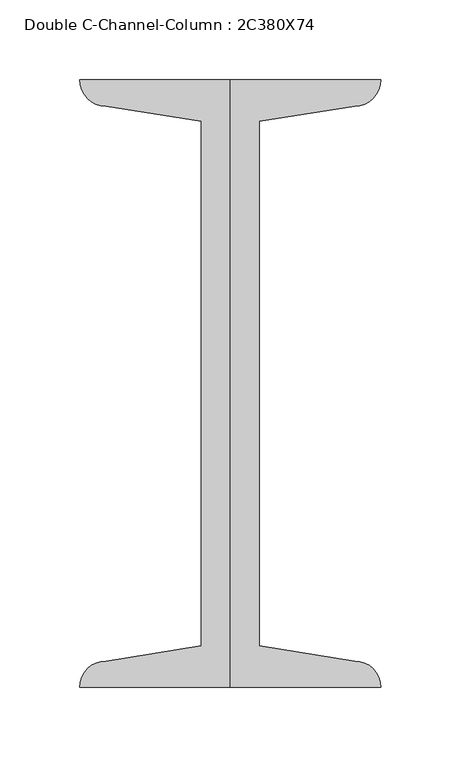
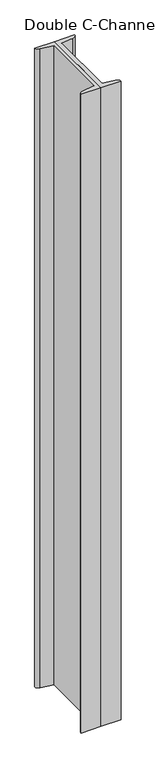
"""IFC4 building model written with IfcOpenShell, lengths in millimetres: column geometry, Double C-Channel-Column : 2C380X74."""

from ifc_helpers import new_model, si_unit, point, frame, frame_2d, origin, place, context, project, spatial, polyline, circle_curve, trimmed, segment, composite_curve, outline, extrude, source, transform, mapped, element, save


def double_c_channel_column_2c380x74_e3681b8e(model_context):
    return source(origin(), model_context, "Body", "SweptSolid", [
        extrude(outline(composite_curve([segment(polyline([(0.0, 190.5), (94.4, 190.5)]), True, "CONTINUOUS"), segment(trimmed(circle_curve(frame_2d((77.9, 190.5)), 16.5), [point((94.4, 190.5))], [point((77.9, 174.0))], False, "CARTESIAN"), True, "CONTINUOUS"), segment(polyline([(77.9, 174.0), (18.2, 164.5444489), (18.2, -164.5444489), (77.9, -174.0)]), True, "CONTINUOUS"), segment(trimmed(circle_curve(frame_2d((77.9, -190.5)), 16.5), [point((77.9, -174.0))], [point((94.4, -190.5))], False, "CARTESIAN"), True, "CONTINUOUS"), segment(polyline([(94.4, -190.5), (0.0, -190.5), (0.0, 190.5)]), True, "CONTINUOUS")], self_intersect=False)), frame((0.0, 0.0, -300.0), z_axis=(0.0, 0.0, 1.0), x_axis=(1.0, 0.0, 0.0)), (0.0, 0.0, 1.0), 3190.0),
        extrude(outline(composite_curve([segment(polyline([(0.0, 190.5), (0.0, -190.5), (-94.4, -190.5)]), True, "CONTINUOUS"), segment(trimmed(circle_curve(frame_2d((-77.9, -190.5)), 16.5), [point((-94.4, -190.5))], [point((-77.9, -174.0))], False, "CARTESIAN"), True, "CONTINUOUS"), segment(polyline([(-77.9, -174.0), (-18.2, -164.5444489), (-18.2, 164.5444489), (-77.9, 174.0)]), True, "CONTINUOUS"), segment(trimmed(circle_curve(frame_2d((-77.9, 190.5)), 16.5), [point((-77.9, 174.0))], [point((-94.4, 190.5))], False, "CARTESIAN"), True, "CONTINUOUS"), segment(polyline([(-94.4, 190.5), (0.0, 190.5)]), True, "CONTINUOUS")], self_intersect=False)), frame((0.0, 0.0, -300.0), z_axis=(0.0, 0.0, 1.0), x_axis=(1.0, 0.0, 0.0)), (0.0, 0.0, 1.0), 3190.0),
    ])


if __name__ == "__main__":
    model = new_model("IFC4")
    model_context = context("Model", 3, world=origin())
    ifc_project = project(units=[si_unit("LENGTHUNIT", "METRE", prefix="MILLI")], contexts=[model_context])
    site = spatial("IfcSite", under=ifc_project)
    building = spatial("IfcBuilding", under=site)
    placement = place(None, origin())
    double_c_channel_column_2c380x74_shape = double_c_channel_column_2c380x74_e3681b8e(model_context)
    element("IfcColumn", 1, ObjectType="Double C-Channel-Column : 2C380X74", at=placement, inside=building, context=model_context, shape_type="MappedRepresentation", body=[
        mapped(double_c_channel_column_2c380x74_shape, transform((0.0, 0.0, 0.0), x_axis=(1.0, 0.0, 0.0), y_axis=(0.0, 1.0, 0.0), z_axis=(0.0, 0.0, 1.0))),
    ])
    save(model, "model.ifc")
